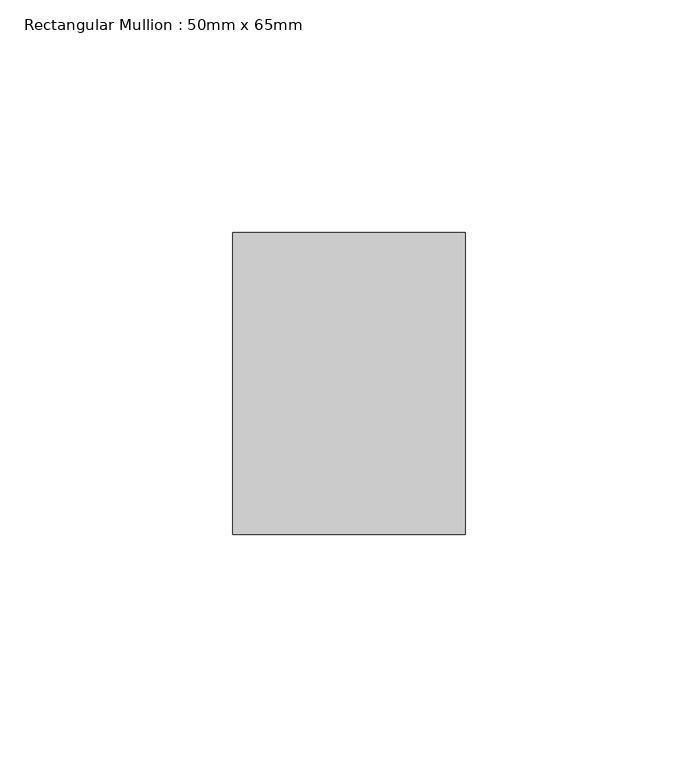
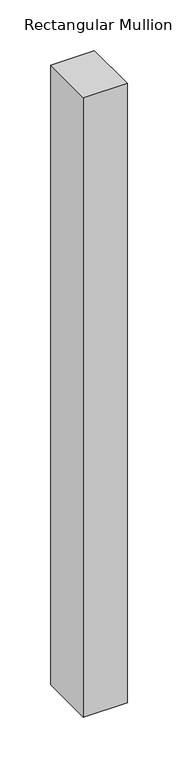
"""IFC4 building model written with IfcOpenShell, lengths in millimetres: member geometry, Rectangular Mullion : 50mm x 65mm."""

from ifc_helpers import new_model, si_unit, frame, origin, place, context, project, spatial, polyline, outline, extrude, source, transform, mapped, element, save


def rectangular_mullion_50mm_x_65mm_ff9f1390(model_context):
    return source(origin(), model_context, "Body", "SweptSolid", [
        extrude(outline(polyline([(25.0, 32.5), (25.0, -32.5), (-25.0, -32.5), (-25.0, 32.5), (25.0, 32.5)])), frame((0.0, 0.0, -748.3577928), z_axis=(0.0, 0.0, 1.0), x_axis=(1.0, 0.0, 0.0)), (0.0, 0.0, 1.0), 748.3577928),
    ])


if __name__ == "__main__":
    model = new_model("IFC4")
    model_context = context("Model", 3, world=origin())
    ifc_project = project(units=[si_unit("LENGTHUNIT", "METRE", prefix="MILLI")], contexts=[model_context])
    site = spatial("IfcSite", under=ifc_project)
    building = spatial("IfcBuilding", under=site)
    placement = place(None, origin())
    rectangular_mullion_50mm_x_65mm_shape = rectangular_mullion_50mm_x_65mm_ff9f1390(model_context)
    element("IfcMember", 1, ObjectType="Rectangular Mullion : 50mm x 65mm", at=placement, inside=building, context=model_context, shape_type="MappedRepresentation", body=[
        mapped(rectangular_mullion_50mm_x_65mm_shape, transform((0.0, 0.0, 0.0), x_axis=(1.0, 0.0, 0.0), y_axis=(0.0, 1.0, 0.0), z_axis=(0.0, 0.0, 1.0))),
    ])
    save(model, "model.ifc")
